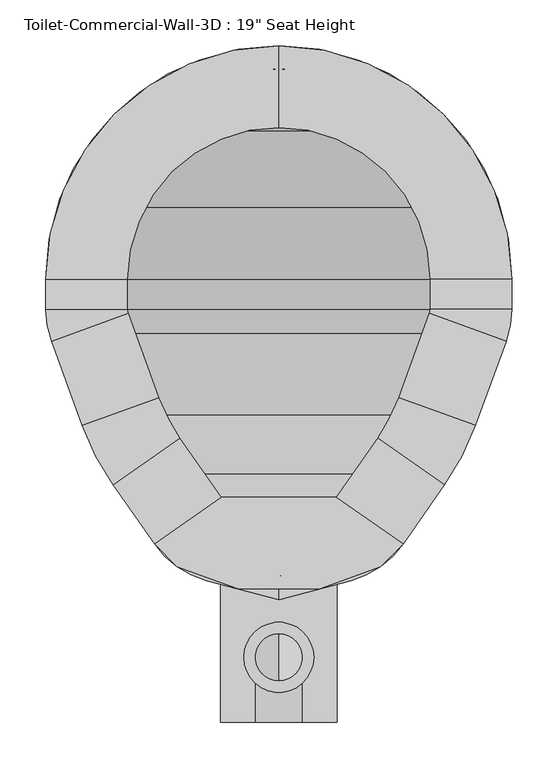
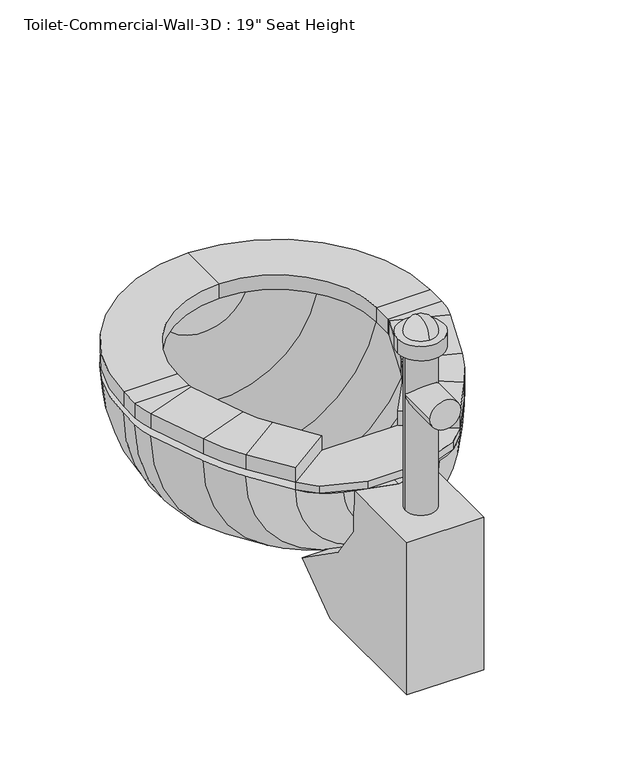
"""IFC4 building model written with IfcOpenShell, lengths in millimetres: flow terminal geometry."""

from ifc_helpers import new_model, si_unit, point, frame, frame_2d, origin, place, context, project, spatial, polyline, circle_curve, ellipse_curve, trimmed, segment, composite_curve, outline, extrude, source, transform, mapped, element, save
from ifc_brep_helpers import plane_surface, cylinder_surface, revolved_surface, advanced_brep


def flow_terminal_3d9ebe32(model_context):
    return source(origin(), model_context, "Body", "SolidModel", [
        extrude(outline(polyline([(467.7541169, 346.6347495), (540.5767337, 295.6438043), (515.6262519, 270.6933226), (449.563909, 246.6485961), (360.2423986, 246.6485961), (294.1800557, 270.6933226), (269.229574, 295.6438043), (342.0521907, 346.6347495), (467.7541169, 346.6347495)])), frame((0.0, 0.0, 444.5), z_axis=(0.0, 0.0, 1.0), x_axis=(1.0, 0.0, 0.0)), (0.0, 0.0, 1.0), 12.7),
        advanced_brep(
        [(467.7541169, 346.6347495, 457.2), (540.5767337, 295.6438043, 457.2), (540.5767337, 295.6438043, 482.6), (467.7541169, 346.6347495, 482.6), (512.8583992, 411.0503403, 457.2), (585.6810159, 360.0593951, 457.2), (585.6810159, 360.0593951, 482.6), (512.8583992, 411.0503403, 482.6), (619.360053, 424.7562234, 457.2), (535.821379, 455.1618141, 457.2), (619.360053, 424.7562234, 482.6), (535.821379, 455.1618141, 482.6), (569.2372501, 546.9711654, 457.2), (652.7759241, 516.5655747, 457.2), (652.7759241, 516.5655747, 482.6), (569.2372501, 546.9711654, 482.6), (658.9031538, 551.3148212, 457.2), (570.0031538, 551.3148212, 457.2), (658.9031538, 551.3148212, 482.6), (570.0031538, 551.3148212, 482.6), (570.0031538, 584.2, 457.2), (658.9031538, 584.2, 457.2), (658.9031538, 584.2, 482.6), (570.0031538, 584.2, 482.6), (404.9031538, 838.2, 457.2), (404.9031538, 749.3, 457.2), (404.9031538, 838.2, 482.6), (404.9031538, 749.3, 482.6), (150.9031538, 584.2, 457.2), (239.8031538, 584.2, 457.2), (150.9031538, 584.2, 482.6), (239.8031538, 584.2, 482.6), (239.8031538, 551.3148212, 457.2), (150.9031538, 551.3148212, 457.2), (150.9031538, 551.3148212, 482.6), (239.8031538, 551.3148212, 482.6), (157.0303835, 516.5655747, 457.2), (240.5690575, 546.9711654, 457.2), (157.0303835, 516.5655747, 482.6), (240.5690575, 546.9711654, 482.6), (273.9849286, 455.1618141, 457.2), (190.4462546, 424.7562234, 457.2), (190.4462546, 424.7562234, 482.6), (273.9849286, 455.1618141, 482.6), (224.1252917, 360.0593951, 457.2), (296.9479084, 411.0503403, 457.2), (224.1252917, 360.0593951, 482.6), (296.9479084, 411.0503403, 482.6), (342.0521907, 346.6347495, 457.2), (342.0521907, 346.6347495, 482.6), (269.229574, 295.6438043, 482.6), (269.229574, 295.6438043, 457.2)],
        [
            (0, 1),
            (1, 2),
            (2, 3),
            (3, 0),
            (0, 4),
            (4, 5),
            (5, 1),
            (5, 6),
            (6, 2),
            (6, 7),
            (7, 3),
            (7, 4),
            (8, 5, circle_curve(frame((356.8099347, 520.3166514, 457.2), z_axis=(0.0, 0.0, -1.0), x_axis=(0.81915204428899, -0.5735764363510486, 0.0)), 279.4)),
            (4, 9, circle_curve(frame((356.8099347, 520.3166514, 457.2), z_axis=(0.0, 0.0, 1.0), x_axis=(0.81915204428899, -0.5735764363510486, 0.0)), 190.5)),
            (9, 8),
            (10, 6, circle_curve(frame((356.8099347, 520.3166514, 482.6), z_axis=(0.0, 0.0, -1.0), x_axis=(0.81915204428899, -0.5735764363510486, 0.0)), 279.4)),
            (8, 10),
            (11, 7, circle_curve(frame((356.8099347, 520.3166514, 482.6), z_axis=(0.0, 0.0, -1.0), x_axis=(0.81915204428899, -0.5735764363510486, 0.0)), 190.5)),
            (10, 11),
            (11, 9),
            (9, 12),
            (12, 13),
            (13, 8),
            (13, 14),
            (14, 10),
            (14, 15),
            (15, 11),
            (15, 12),
            (16, 13, circle_curve(frame((557.3031538, 551.3148212, 457.2), z_axis=(0.0, 0.0, -1.0), x_axis=(0.939692620785906, -0.34202014332567526, 0.0)), 101.6)),
            (12, 17, circle_curve(frame((557.3031538, 551.3148212, 457.2), z_axis=(0.0, 0.0, 1.0), x_axis=(0.939692620785906, -0.34202014332567526, 0.0)), 12.7)),
            (17, 16),
            (18, 14, circle_curve(frame((557.3031538, 551.3148212, 482.6), z_axis=(0.0, 0.0, -1.0), x_axis=(0.939692620785906, -0.34202014332567526, 0.0)), 101.6)),
            (16, 18),
            (19, 15, circle_curve(frame((557.3031538, 551.3148212, 482.6), z_axis=(0.0, 0.0, -1.0), x_axis=(0.939692620785906, -0.34202014332567526, 0.0)), 12.7)),
            (18, 19),
            (19, 17),
            (17, 20),
            (20, 21),
            (21, 16),
            (21, 22),
            (22, 18),
            (22, 23),
            (23, 19),
            (23, 20),
            (24, 21, circle_curve(frame((404.9031538, 584.2, 457.2), z_axis=(0.0, 0.0, -1.0), x_axis=(1.0, 0.0, 0.0)), 254.0)),
            (20, 25, circle_curve(frame((404.9031538, 584.2, 457.2), z_axis=(0.0, 0.0, 1.0), x_axis=(1.0, 0.0, 0.0)), 165.1)),
            (25, 24),
            (26, 22, circle_curve(frame((404.9031538, 584.2, 482.6), z_axis=(0.0, 0.0, -1.0), x_axis=(1.0, 0.0, 0.0)), 254.0)),
            (24, 26),
            (27, 23, circle_curve(frame((404.9031538, 584.2, 482.6), z_axis=(0.0, 0.0, -1.0), x_axis=(1.0, 0.0, 0.0)), 165.1)),
            (26, 27),
            (27, 25),
            (28, 24, circle_curve(frame((404.9031538, 584.2, 457.2), z_axis=(0.0, 0.0, -1.0), x_axis=(0.0, 1.0, 0.0)), 254.0)),
            (25, 29, circle_curve(frame((404.9031538, 584.2, 457.2), z_axis=(0.0, 0.0, 1.0), x_axis=(0.0, 1.0, 0.0)), 165.1)),
            (29, 28),
            (30, 26, circle_curve(frame((404.9031538, 584.2, 482.6), z_axis=(0.0, 0.0, -1.0), x_axis=(0.0, 1.0, 0.0)), 254.0)),
            (28, 30),
            (31, 27, circle_curve(frame((404.9031538, 584.2, 482.6), z_axis=(0.0, 0.0, -1.0), x_axis=(0.0, 1.0, 0.0)), 165.1)),
            (30, 31),
            (31, 29),
            (29, 32),
            (32, 33),
            (33, 28),
            (33, 34),
            (34, 30),
            (34, 35),
            (35, 31),
            (35, 32),
            (36, 33, circle_curve(frame((252.5031538, 551.3148212, 457.2), z_axis=(0.0, 0.0, -1.0), x_axis=(-1.0, 0.0, 0.0)), 101.6)),
            (32, 37, circle_curve(frame((252.5031538, 551.3148212, 457.2), z_axis=(0.0, 0.0, 1.0), x_axis=(-1.0, 0.0, 0.0)), 12.7)),
            (37, 36),
            (38, 34, circle_curve(frame((252.5031538, 551.3148212, 482.6), z_axis=(0.0, 0.0, -1.0), x_axis=(-1.0, 0.0, 0.0)), 101.6)),
            (36, 38),
            (39, 35, circle_curve(frame((252.5031538, 551.3148212, 482.6), z_axis=(0.0, 0.0, -1.0), x_axis=(-1.0, 0.0, 0.0)), 12.7)),
            (38, 39),
            (39, 37),
            (37, 40),
            (40, 41),
            (41, 36),
            (41, 42),
            (42, 38),
            (42, 43),
            (43, 39),
            (43, 40),
            (44, 41, circle_curve(frame((452.9963729, 520.3166514, 457.2), z_axis=(0.0, 0.0, -1.0), x_axis=(-0.9396926207859088, -0.34202014332566766, 0.0)), 279.4)),
            (40, 45, circle_curve(frame((452.9963729, 520.3166514, 457.2), z_axis=(0.0, 0.0, 1.0), x_axis=(-0.9396926207859088, -0.34202014332566766, 0.0)), 190.5)),
            (45, 44),
            (46, 42, circle_curve(frame((452.9963729, 520.3166514, 482.6), z_axis=(0.0, 0.0, -1.0), x_axis=(-0.9396926207859088, -0.34202014332566766, 0.0)), 279.4)),
            (44, 46),
            (47, 43, circle_curve(frame((452.9963729, 520.3166514, 482.6), z_axis=(0.0, 0.0, -1.0), x_axis=(-0.9396926207859088, -0.34202014332566766, 0.0)), 190.5)),
            (46, 47),
            (47, 45),
            (48, 49),
            (49, 50),
            (50, 51),
            (51, 48),
            (45, 48),
            (51, 44),
            (50, 46),
            (49, 47),
        ],
        [
            plane_surface(frame((540.5767337, 295.6438043, 541.2203184), z_axis=(-0.5735764363510383, -0.8191520442889972, 0.0), x_axis=(0.8191520442889972, -0.5735764363510383, 0.0))),
            plane_surface(frame((467.7541169, 346.6347495, 457.2), z_axis=(0.0, 0.0, -1.0000000000000002), x_axis=(0.5735764363510385, 0.8191520442889972, 0.0))),
            plane_surface(frame((540.5767337, 295.6438043, 457.2), z_axis=(0.8191520442889972, -0.5735764363510385, 0.0), x_axis=(0.5735764363510385, 0.8191520442889972, 0.0))),
            plane_surface(frame((540.5767337, 295.6438043, 482.6), z_axis=(0.0, 0.0, 1.0), x_axis=(0.5735764363510377, 0.8191520442889978, 0.0))),
            plane_surface(frame((467.7541169, 346.6347495, 482.6), z_axis=(-0.8191520442889979, 0.5735764363510375, 0.0), x_axis=(0.5735764363510375, 0.8191520442889979, 0.0))),
            plane_surface(frame((356.8099347, 520.3166514, 457.2), z_axis=(0.0, 0.0, -1.0), x_axis=(0.81915204428899, -0.5735764363510486, 0.0))),
            cylinder_surface(frame((356.8099347, 520.3166514, 444.5), z_axis=(0.0, 0.0, 1.0), x_axis=(0.81915204428899, -0.5735764363510486, 0.0)), 279.4),
            plane_surface(frame((356.8099347, 520.3166514, 482.6), z_axis=(0.0, 0.0, 1.0), x_axis=(0.81915204428899, -0.5735764363510486, 0.0))),
            revolved_surface(polyline([(512.8583991370526, 411.0503402751252, 482.6), (512.8583991370526, 411.0503402751252, 457.2)]), (356.8099347, 520.3166514, 444.5), (0.0, 0.0, 1.0)),
            plane_surface(frame((535.821379, 455.1618141, 457.2), z_axis=(0.0, 0.0, -1.0), x_axis=(0.3420201433256639, 0.9396926207859102, 0.0))),
            plane_surface(frame((619.360053, 424.7562234, 457.2), z_axis=(0.9396926207859106, -0.3420201433256625, 0.0), x_axis=(0.3420201433256625, 0.9396926207859106, 0.0))),
            plane_surface(frame((619.360053, 424.7562234, 482.6), z_axis=(0.0, 0.0, 1.0), x_axis=(0.3420201433256625, 0.9396926207859106, 0.0))),
            plane_surface(frame((535.821379, 455.1618141, 482.6), z_axis=(-0.9396926207859106, 0.3420201433256626, 0.0), x_axis=(0.3420201433256626, 0.9396926207859106, 0.0))),
            plane_surface(frame((557.3031538, 551.3148212, 457.2), z_axis=(0.0, 0.0, -1.0), x_axis=(0.939692620785906, -0.34202014332567526, 0.0))),
            cylinder_surface(frame((557.3031538, 551.3148212, 444.5), z_axis=(0.0, 0.0, 1.0), x_axis=(0.939692620785906, -0.34202014332567526, 0.0)), 101.6),
            plane_surface(frame((557.3031538, 551.3148212, 482.6), z_axis=(0.0, 0.0, 1.0), x_axis=(0.939692620785906, -0.34202014332567526, 0.0))),
            revolved_surface(polyline([(569.237250083981, 546.9711653797639, 482.6), (569.237250083981, 546.9711653797639, 457.2)]), (557.3031538, 551.3148212, 444.5), (0.0, 0.0, 1.0)),
            plane_surface(frame((570.0031538, 551.3148212, 457.2), z_axis=(0.0, 0.0, -1.0), x_axis=(0.0, 1.0, 0.0))),
            plane_surface(frame((658.9031538, 551.3148212, 457.2), z_axis=(1.0, 0.0, 0.0), x_axis=(0.0, 1.0, 0.0))),
            plane_surface(frame((658.9031538, 551.3148212, 482.6), z_axis=(0.0, 0.0, 1.0), x_axis=(0.0, 1.0, 0.0))),
            plane_surface(frame((570.0031538, 551.3148212, 482.6), z_axis=(-1.0, 0.0, 0.0), x_axis=(0.0, 1.0, 0.0))),
            plane_surface(frame((404.9031538, 584.2, 457.2), z_axis=(0.0, 0.0, -1.0), x_axis=(1.0, 0.0, 0.0))),
            cylinder_surface(frame((404.9031538, 584.2, 444.5), z_axis=(0.0, 0.0, 1.0), x_axis=(1.0, 0.0, 0.0)), 254.0),
            plane_surface(frame((404.9031538, 584.2, 482.6), z_axis=(0.0, 0.0, 1.0), x_axis=(1.0, 0.0, 0.0))),
            revolved_surface(polyline([(570.0031538, 584.2, 482.6), (570.0031538, 584.2, 457.2)]), (404.9031538, 584.2, 444.5), (0.0, 0.0, 1.0)),
            plane_surface(frame((404.9031538, 584.2, 457.2), z_axis=(0.0, 0.0, -1.0), x_axis=(0.0, 1.0, 0.0))),
            cylinder_surface(frame((404.9031538, 584.2, 444.5), z_axis=(0.0, 0.0, 1.0), x_axis=(0.0, 1.0, 0.0)), 254.0),
            plane_surface(frame((404.9031538, 584.2, 482.6), z_axis=(0.0, 0.0, 1.0), x_axis=(0.0, 1.0, 0.0))),
            revolved_surface(polyline([(404.9031538, 749.3000000000001, 482.6), (404.9031538, 749.3000000000001, 457.2)]), (404.9031538, 584.2, 444.5), (0.0, 0.0, 1.0)),
            plane_surface(frame((239.8031538, 584.2, 457.2), z_axis=(0.0, 0.0, -1.0), x_axis=(0.0, -1.0, 0.0))),
            plane_surface(frame((150.9031538, 584.2, 457.2), z_axis=(-1.0, 0.0, 0.0), x_axis=(0.0, -1.0, 0.0))),
            plane_surface(frame((150.9031538, 584.2, 482.6), z_axis=(0.0, 0.0, 1.0), x_axis=(0.0, -1.0, 0.0))),
            plane_surface(frame((239.8031538, 584.2, 482.6), z_axis=(1.0, 0.0, 0.0), x_axis=(0.0, -1.0, 0.0))),
            plane_surface(frame((252.5031538, 551.3148212, 457.2), z_axis=(0.0, 0.0, -1.0), x_axis=(-1.0, 0.0, 0.0))),
            cylinder_surface(frame((252.5031538, 551.3148212, 444.5), z_axis=(0.0, 0.0, 1.0), x_axis=(-1.0, 0.0, 0.0)), 101.6),
            plane_surface(frame((252.5031538, 551.3148212, 482.6), z_axis=(0.0, 0.0, 1.0), x_axis=(-1.0, 0.0, 0.0))),
            revolved_surface(polyline([(239.80315380000002, 551.3148212, 482.6), (239.80315380000002, 551.3148212, 457.2)]), (252.5031538, 551.3148212, 444.5), (0.0, 0.0, 1.0)),
            plane_surface(frame((240.5690575, 546.9711654, 457.2), z_axis=(0.0, 0.0, -1.0000000000000002), x_axis=(0.34202014332565656, -0.9396926207859129, 0.0))),
            plane_surface(frame((157.0303835, 516.5655747, 457.2), z_axis=(-0.9396926207859131, -0.3420201433256559, 0.0), x_axis=(0.3420201433256559, -0.9396926207859131, 0.0))),
            plane_surface(frame((157.0303835, 516.5655747, 482.6), z_axis=(0.0, 0.0, 1.0), x_axis=(0.34202014332565644, -0.9396926207859129, 0.0))),
            plane_surface(frame((240.5690575, 546.9711654, 482.6), z_axis=(0.9396926207859131, 0.342020143325656, 0.0), x_axis=(0.342020143325656, -0.9396926207859131, 0.0))),
            plane_surface(frame((452.9963729, 520.3166514, 457.2), z_axis=(0.0, 0.0, -1.0), x_axis=(-0.9396926207859088, -0.34202014332566766, 0.0))),
            cylinder_surface(frame((452.9963729, 520.3166514, 444.5), z_axis=(0.0, 0.0, 1.0), x_axis=(-0.9396926207859088, -0.34202014332566766, 0.0)), 279.4),
            plane_surface(frame((452.9963729, 520.3166514, 482.6), z_axis=(0.0, 0.0, 1.0), x_axis=(-0.9396926207859088, -0.34202014332566766, 0.0))),
            revolved_surface(polyline([(273.98492864028435, 455.16181409646026, 482.6), (273.98492864028435, 455.16181409646026, 457.2)]), (452.9963729, 520.3166514, 444.5), (0.0, 0.0, 1.0)),
            plane_surface(frame((269.229574, 295.6438043, 347.7796816), z_axis=(0.5735764363510499, -0.8191520442889891, 0.0), x_axis=(0.8191520442889891, 0.5735764363510499, 0.0))),
            plane_surface(frame((296.9479084, 411.0503403, 457.2), z_axis=(0.0, 0.0, -1.0000000000000002), x_axis=(0.5735764363510504, -0.8191520442889889, 0.0))),
            plane_surface(frame((224.1252917, 360.0593951, 457.2), z_axis=(-0.8191520442889888, -0.5735764363510505, 0.0), x_axis=(0.5735764363510505, -0.8191520442889888, 0.0))),
            plane_surface(frame((224.1252917, 360.0593951, 482.6), z_axis=(0.0, 0.0, 1.0000000000000002), x_axis=(0.5735764363510504, -0.8191520442889889, 0.0))),
            plane_surface(frame((296.9479084, 411.0503403, 482.6), z_axis=(0.8191520442889891, 0.57357643635105, 0.0), x_axis=(0.57357643635105, -0.8191520442889891, 0.0))),
        ],
        [
            (0, [[1, 2, 3, 4]]),
            (1, [[-1, 5, 6, 7]]),
            (2, [[-2, -7, 8, 9]]),
            (3, [[-3, -9, 10, 11]]),
            (4, [[-4, -11, 12, -5]]),
            (5, [[13, -6, 14, 15]]),
            (6, [[16, -8, -13, 17]]),
            (7, [[18, -10, -16, 19]]),
            (8, [[-14, -12, -18, 20]]),
            (9, [[-15, 21, 22, 23]]),
            (10, [[-17, -23, 24, 25]]),
            (11, [[-19, -25, 26, 27]]),
            (12, [[-20, -27, 28, -21]]),
            (13, [[29, -22, 30, 31]]),
            (14, [[32, -24, -29, 33]]),
            (15, [[34, -26, -32, 35]]),
            (16, [[-30, -28, -34, 36]]),
            (17, [[-31, 37, 38, 39]]),
            (18, [[-33, -39, 40, 41]]),
            (19, [[-35, -41, 42, 43]]),
            (20, [[-36, -43, 44, -37]]),
            (21, [[45, -38, 46, 47]]),
            (22, [[48, -40, -45, 49]]),
            (23, [[50, -42, -48, 51]]),
            (24, [[-46, -44, -50, 52]]),
            (25, [[53, -47, 54, 55]]),
            (26, [[56, -49, -53, 57]]),
            (27, [[58, -51, -56, 59]]),
            (28, [[-54, -52, -58, 60]]),
            (29, [[-55, 61, 62, 63]]),
            (30, [[-57, -63, 64, 65]]),
            (31, [[-59, -65, 66, 67]]),
            (32, [[-60, -67, 68, -61]]),
            (33, [[69, -62, 70, 71]]),
            (34, [[72, -64, -69, 73]]),
            (35, [[74, -66, -72, 75]]),
            (36, [[-70, -68, -74, 76]]),
            (37, [[-71, 77, 78, 79]]),
            (38, [[-73, -79, 80, 81]]),
            (39, [[-75, -81, 82, 83]]),
            (40, [[-76, -83, 84, -77]]),
            (41, [[85, -78, 86, 87]]),
            (42, [[88, -80, -85, 89]]),
            (43, [[90, -82, -88, 91]]),
            (44, [[-86, -84, -90, 92]]),
            (45, [[93, 94, 95, 96]]),
            (46, [[-87, 97, -96, 98]]),
            (47, [[-89, -98, -95, 99]]),
            (48, [[-91, -99, -94, 100]]),
            (49, [[-92, -100, -93, -97]]),
        ],
    ),
        advanced_brep(
        [(491.7762702, 822.8819257, 444.5), (404.9031538, 838.2, 444.5), (404.9031538, 812.8, 444.5), (483.0889586, 799.0137331, 444.5), (566.547764, 745.8446102, 444.5), (619.7168869, 662.3858048, 444.5), (633.5031538, 584.2, 444.5), (633.5031538, 551.3148212, 444.5), (628.9077315, 525.2528863, 444.5), (596.6355667, 436.5858422, 444.5), (562.9565296, 371.8890139, 444.5), (525.0728964, 317.7855786, 444.5), (468.1430637, 277.9228806, 444.5), (404.9031538, 260.9777978, 444.5), (404.9031538, 234.6817829, 444.5), (483.6469009, 255.7811063, 444.5), (540.5767337, 295.6438043, 444.5), (585.6810159, 360.0593951, 444.5), (619.360053, 424.7562234, 444.5), (652.7759241, 516.5655747, 444.5), (658.9031538, 551.3148212, 444.5), (658.9031538, 584.2, 444.5), (643.5850795, 671.0731164, 444.5), (584.5082762, 763.8051224, 444.5), (318.0300374, 822.8819257, 444.5), (225.2980314, 763.8051224, 444.5), (166.2212281, 671.0731164, 444.5), (150.9031538, 584.2, 444.5), (150.9031538, 551.3148212, 444.5), (157.0303835, 516.5655747, 444.5), (190.4462546, 424.7562234, 444.5), (224.1252917, 360.0593951, 444.5), (269.229574, 295.6438043, 444.5), (326.1594067, 255.7811063, 444.5), (341.663244, 277.9228806, 444.5), (284.7334112, 317.7855786, 444.5), (246.849778, 371.8890139, 444.5), (213.1707409, 436.5858422, 444.5), (180.8985761, 525.2528863, 444.5), (176.3031538, 551.3148212, 444.5), (176.3031538, 584.2, 444.5), (190.0894207, 662.3858048, 444.5), (243.2585436, 745.8446102, 444.5), (326.7173491, 799.0137331, 444.5)],
        [
            (0, 1, circle_curve(frame((404.9031538, 584.2, 444.5), z_axis=(0.0, 0.0, 1.0), x_axis=(1.0, 0.0, 0.0)), 254.0)),
            (1, 2),
            (2, 3, circle_curve(frame((404.9031538, 584.2, 444.5), z_axis=(0.0, 0.0, -1.0), x_axis=(1.0, 0.0, 0.0)), 228.6)),
            (3, 4, circle_curve(frame((404.9031538, 584.2, 444.5), z_axis=(0.0, 0.0, -1.0), x_axis=(1.0, 0.0, 0.0)), 228.6)),
            (4, 5, circle_curve(frame((404.9031538, 584.2, 444.5), z_axis=(0.0, 0.0, -1.0), x_axis=(1.0, 0.0, 0.0)), 228.6)),
            (5, 6, circle_curve(frame((404.9031538, 584.2, 444.5), z_axis=(0.0, 0.0, -1.0), x_axis=(1.0, 0.0, 0.0)), 228.6)),
            (6, 7),
            (7, 8, circle_curve(frame((557.3031538, 551.3148212, 444.5), z_axis=(0.0, 0.0, -1.0), x_axis=(1.0, 0.0, 0.0)), 76.2)),
            (8, 9),
            (9, 10, circle_curve(frame((334.0854485, 532.1462703, 444.5), z_axis=(0.0, 0.0, -1.0), x_axis=(1.0, 0.0, 0.0)), 279.4)),
            (10, 11),
            (11, 12, circle_curve(frame((441.8470487, 376.0609446, 444.5), z_axis=(0.0, 0.0, -1.0), x_axis=(1.0, 0.0, 0.0)), 101.6)),
            (12, 13),
            (13, 14),
            (14, 15),
            (15, 16, circle_curve(frame((457.350886, 353.9191703, 444.5), z_axis=(0.0, 0.0, 1.0), x_axis=(1.0, 0.0, 0.0)), 101.6)),
            (16, 17),
            (17, 18, circle_curve(frame((356.8099347, 520.3166514, 444.5), z_axis=(0.0, 0.0, 1.0), x_axis=(1.0, 0.0, 0.0)), 279.4)),
            (18, 19),
            (19, 20, circle_curve(frame((557.3031538, 551.3148212, 444.5), z_axis=(0.0, 0.0, 1.0), x_axis=(1.0, 0.0, 0.0)), 101.6)),
            (20, 21),
            (21, 22, circle_curve(frame((404.9031538, 584.2, 444.5), z_axis=(0.0, 0.0, 1.0), x_axis=(1.0, 0.0, 0.0)), 254.0)),
            (22, 23, circle_curve(frame((404.9031538, 584.2, 444.5), z_axis=(0.0, 0.0, 1.0), x_axis=(1.0, 0.0, 0.0)), 254.0)),
            (23, 0, circle_curve(frame((404.9031538, 584.2, 444.5), z_axis=(0.0, 0.0, 1.0), x_axis=(1.0, 0.0, 0.0)), 254.0)),
            (24, 25, circle_curve(frame((404.9031538, 584.2, 444.5), z_axis=(0.0, 0.0, 1.0), x_axis=(-1.0, 0.0, 0.0)), 254.0)),
            (25, 26, circle_curve(frame((404.9031538, 584.2, 444.5), z_axis=(0.0, 0.0, 1.0), x_axis=(-1.0, 0.0, 0.0)), 254.0)),
            (26, 27, circle_curve(frame((404.9031538, 584.2, 444.5), z_axis=(0.0, 0.0, 1.0), x_axis=(-1.0, 0.0, 0.0)), 254.0)),
            (27, 28),
            (28, 29, circle_curve(frame((252.5031538, 551.3148212, 444.5), z_axis=(0.0, 0.0, 1.0), x_axis=(-1.0, 0.0, 0.0)), 101.6)),
            (29, 30),
            (30, 31, circle_curve(frame((452.9963729, 520.3166514, 444.5), z_axis=(0.0, 0.0, 1.0), x_axis=(-1.0, 0.0, 0.0)), 279.4)),
            (31, 32),
            (32, 33, circle_curve(frame((352.4554217, 353.9191703, 444.5), z_axis=(0.0, 0.0, 1.0), x_axis=(-1.0, 0.0, 0.0)), 101.6)),
            (33, 14),
            (13, 34),
            (34, 35, circle_curve(frame((367.9592589, 376.0609446, 444.5), z_axis=(0.0, 0.0, -1.0), x_axis=(-1.0, 0.0, 0.0)), 101.6)),
            (35, 36),
            (36, 37, circle_curve(frame((475.7208592, 532.1462703, 444.5), z_axis=(0.0, 0.0, -1.0), x_axis=(-1.0, 0.0, 0.0)), 279.4)),
            (37, 38),
            (38, 39, circle_curve(frame((252.5031538, 551.3148212, 444.5), z_axis=(0.0, 0.0, -1.0), x_axis=(-1.0, 0.0, 0.0)), 76.2)),
            (39, 40),
            (40, 41, circle_curve(frame((404.9031538, 584.2, 444.5), z_axis=(0.0, 0.0, -1.0), x_axis=(-1.0, 0.0, 0.0)), 228.6)),
            (41, 42, circle_curve(frame((404.9031538, 584.2, 444.5), z_axis=(0.0, 0.0, -1.0), x_axis=(-1.0, 0.0, 0.0)), 228.6)),
            (42, 43, circle_curve(frame((404.9031538, 584.2, 444.5), z_axis=(0.0, 0.0, -1.0), x_axis=(-1.0, 0.0, 0.0)), 228.6)),
            (43, 2, circle_curve(frame((404.9031538, 584.2, 444.5), z_axis=(0.0, 0.0, -1.0), x_axis=(-1.0, 0.0, 0.0)), 228.6)),
            (1, 24, circle_curve(frame((404.9031538, 584.2, 444.5), z_axis=(0.0, 0.0, 1.0), x_axis=(-1.0, 0.0, 0.0)), 254.0)),
            (0, 24, circle_curve(frame((404.9031538, 822.8819257, 444.5), z_axis=(0.0, 1.0, 0.0), x_axis=(1.0, 0.0, 0.0)), 86.8731164)),
            (43, 3, circle_curve(frame((404.9031538, 799.0137331, 444.5), z_axis=(0.0, -1.0, 0.0), x_axis=(1.0, 0.0, 0.0)), 78.1858048)),
            (42, 4, circle_curve(frame((404.9031538, 745.8446102, 444.5), z_axis=(0.0, -1.0, 0.0), x_axis=(1.0, 0.0, 0.0)), 161.6446102)),
            (41, 5, circle_curve(frame((404.9031538, 662.3858048, 444.5), z_axis=(0.0, -1.0, 0.0), x_axis=(1.0, 0.0, 0.0)), 214.8137331)),
            (40, 6, circle_curve(frame((404.9031538, 584.2, 444.5), z_axis=(0.0, -1.0, 0.0), x_axis=(1.0, 0.0, 0.0)), 228.6)),
            (39, 7, circle_curve(frame((404.9031538, 551.3148212, 444.5), z_axis=(0.0, -1.0, 0.0), x_axis=(1.0, 0.0, 0.0)), 228.6)),
            (38, 8, circle_curve(frame((404.9031538, 525.2528863, 444.5), z_axis=(0.0, -1.0, 0.0), x_axis=(1.0, 0.0, 0.0)), 224.0045777)),
            (37, 9, circle_curve(frame((404.9031538, 436.5858422, 444.5), z_axis=(0.0, -1.0, 0.0), x_axis=(1.0, 0.0, 0.0)), 191.7324129)),
            (36, 10, circle_curve(frame((404.9031538, 371.8890139, 444.5), z_axis=(0.0, -1.0, 0.0), x_axis=(1.0, 0.0, 0.0)), 158.0533758)),
            (35, 11, circle_curve(frame((404.9031538, 317.7855786, 444.5), z_axis=(0.0, -1.0, 0.0), x_axis=(1.0, 0.0, 0.0)), 120.1697426)),
            (34, 12, circle_curve(frame((404.9031538, 277.9228806, 444.5), z_axis=(0.0, -1.0, 0.0), x_axis=(1.0, 0.0, 0.0)), 63.2399099)),
            (33, 15, circle_curve(frame((404.9031538, 255.7811063, 444.5), z_axis=(0.0, -1.0, 0.0), x_axis=(1.0, 0.0, 0.0)), 78.7437471)),
            (32, 16, circle_curve(frame((404.9031538, 295.6438043, 444.5), z_axis=(0.0, -1.0, 0.0), x_axis=(1.0, 0.0, 0.0)), 135.6735798)),
            (31, 17, circle_curve(frame((404.9031538, 360.0593951, 444.5), z_axis=(0.0, -1.0, 0.0), x_axis=(1.0, 0.0, 0.0)), 180.7778621)),
            (30, 18, circle_curve(frame((404.9031538, 424.7562234, 444.5), z_axis=(0.0, -1.0, 0.0), x_axis=(1.0, 0.0, 0.0)), 214.4568992)),
            (29, 19, circle_curve(frame((404.9031538, 516.5655747, 444.5), z_axis=(0.0, -1.0, 0.0), x_axis=(1.0, 0.0, 0.0)), 247.8727703)),
            (28, 20, circle_curve(frame((404.9031538, 551.3148212, 444.5), z_axis=(0.0, -1.0, 0.0), x_axis=(1.0, 0.0, 0.0)), 254.0)),
            (27, 21, circle_curve(frame((404.9031538, 584.2, 444.5), z_axis=(0.0, -1.0, 0.0), x_axis=(1.0, 0.0, 0.0)), 254.0)),
            (26, 22, circle_curve(frame((404.9031538, 671.0731164, 444.5), z_axis=(0.0, -1.0, 0.0), x_axis=(1.0, 0.0, 0.0)), 238.6819257)),
            (25, 23, circle_curve(frame((404.9031538, 763.8051224, 444.5), z_axis=(0.0, -1.0, 0.0), x_axis=(1.0, 0.0, 0.0)), 179.6051224)),
        ],
        [
            plane_surface(frame((404.9031538, 943.4102448, 444.5), z_axis=(0.0, 0.0, 1.0), x_axis=(1.0, 0.0, 0.0))),
            plane_surface(frame((404.9031538, 943.4102448, 444.5), z_axis=(0.0, 0.0, 1.0), x_axis=(-1.0, 0.0, 0.0))),
            revolved_surface(trimmed(ellipse_curve(frame((404.9031538, 584.2, 444.5), z_axis=(0.0, 0.0, 1.0), x_axis=(1.0, 0.0, 0.0)), 254.0, 254.0), [point((491.7762702, 822.8819257, 444.5))], [point((404.9031538, 838.2, 444.5))], True, "CARTESIAN"), (404.9031538, 943.4102448, 444.5), (0.0, 1.0, 0.0)),
            revolved_surface(trimmed(ellipse_curve(frame((404.9031538, 584.2, 444.5), z_axis=(0.0, 0.0, -1.0), x_axis=(1.0, 0.0, 0.0)), 228.6, 228.6), [point((404.9031538, 812.8, 444.5))], [point((483.0889586, 799.0137331, 444.5))], True, "CARTESIAN"), (404.9031538, 943.4102448, 444.5), (0.0, 1.0, 0.0)),
            revolved_surface(trimmed(ellipse_curve(frame((404.9031538, 584.2, 444.5), z_axis=(0.0, 0.0, -1.0), x_axis=(1.0, 0.0, 0.0)), 228.6, 228.6), [point((483.0889586, 799.0137331, 444.5))], [point((566.547764, 745.8446102, 444.5))], True, "CARTESIAN"), (404.9031538, 943.4102448, 444.5), (0.0, 1.0, 0.0)),
            revolved_surface(trimmed(ellipse_curve(frame((404.9031538, 584.2, 444.5), z_axis=(0.0, 0.0, -1.0), x_axis=(1.0, 0.0, 0.0)), 228.6, 228.6), [point((566.547764, 745.8446102, 444.5))], [point((619.7168869, 662.3858048, 444.5))], True, "CARTESIAN"), (404.9031538, 943.4102448, 444.5), (0.0, 1.0, 0.0)),
            revolved_surface(trimmed(ellipse_curve(frame((404.9031538, 584.2, 444.5), z_axis=(0.0, 0.0, -1.0), x_axis=(1.0, 0.0, 0.0)), 228.6, 228.6), [point((619.7168869, 662.3858048, 444.5))], [point((633.5031538, 584.2, 444.5))], True, "CARTESIAN"), (404.9031538, 943.4102448, 444.5), (0.0, 1.0, 0.0)),
            revolved_surface(polyline([(633.5031538, 584.2, 444.5), (633.5031538, 551.3148212, 444.5)]), (404.9031538, 943.4102448, 444.5), (0.0, 1.0, 0.0)),
            revolved_surface(trimmed(ellipse_curve(frame((557.3031538, 551.3148212, 444.5), z_axis=(0.0, 0.0, -1.0), x_axis=(1.0, 0.0, 0.0)), 76.2, 76.2), [point((633.5031538, 551.3148212, 444.5))], [point((628.9077315, 525.2528863, 444.5))], True, "CARTESIAN"), (404.9031538, 943.4102448, 444.5), (0.0, 1.0, 0.0)),
            revolved_surface(polyline([(628.9077315, 525.2528863, 444.5), (596.6355667, 436.5858422, 444.5)]), (404.9031538, 943.4102448, 444.5), (0.0, 1.0, 0.0)),
            revolved_surface(trimmed(ellipse_curve(frame((334.0854485, 532.1462703, 444.5), z_axis=(0.0, 0.0, -1.0), x_axis=(1.0, 0.0, 0.0)), 279.4, 279.4), [point((596.6355667, 436.5858422, 444.5))], [point((562.9565296, 371.8890139, 444.5))], True, "CARTESIAN"), (404.9031538, 943.4102448, 444.5), (0.0, 1.0, 0.0)),
            revolved_surface(polyline([(562.9565296, 371.8890139, 444.5), (525.0728964, 317.7855786, 444.5)]), (404.9031538, 943.4102448, 444.5), (0.0, 1.0, 0.0)),
            revolved_surface(trimmed(ellipse_curve(frame((441.8470487, 376.0609446, 444.5), z_axis=(0.0, 0.0, -1.0), x_axis=(1.0, 0.0, 0.0)), 101.6, 101.6), [point((525.0728964, 317.7855786, 444.5))], [point((468.1430637, 277.9228806, 444.5))], True, "CARTESIAN"), (404.9031538, 943.4102448, 444.5), (0.0, 1.0, 0.0)),
            revolved_surface(polyline([(468.1430637, 277.9228806, 444.5), (404.9031538, 260.9777978, 444.5)]), (404.9031538, 943.4102448, 444.5), (0.0, 1.0, 0.0)),
            revolved_surface(polyline([(404.9031538, 234.6817829, 444.5), (483.6469009, 255.7811063, 444.5)]), (404.9031538, 943.4102448, 444.5), (0.0, 1.0, 0.0)),
            revolved_surface(trimmed(ellipse_curve(frame((457.350886, 353.9191703, 444.5), z_axis=(0.0, 0.0, 1.0), x_axis=(1.0, 0.0, 0.0)), 101.6, 101.6), [point((483.6469009, 255.7811063, 444.5))], [point((540.5767337, 295.6438043, 444.5))], True, "CARTESIAN"), (404.9031538, 943.4102448, 444.5), (0.0, 1.0, 0.0)),
            revolved_surface(polyline([(540.5767337, 295.6438043, 444.5), (585.6810159, 360.0593951, 444.5)]), (404.9031538, 943.4102448, 444.5), (0.0, 1.0, 0.0)),
            revolved_surface(trimmed(ellipse_curve(frame((356.8099347, 520.3166514, 444.5), z_axis=(0.0, 0.0, 1.0), x_axis=(1.0, 0.0, 0.0)), 279.4, 279.4), [point((585.6810159, 360.0593951, 444.5))], [point((619.360053, 424.7562234, 444.5))], True, "CARTESIAN"), (404.9031538, 943.4102448, 444.5), (0.0, 1.0, 0.0)),
            revolved_surface(polyline([(619.360053, 424.7562234, 444.5), (652.7759241, 516.5655747, 444.5)]), (404.9031538, 943.4102448, 444.5), (0.0, 1.0, 0.0)),
            revolved_surface(trimmed(ellipse_curve(frame((557.3031538, 551.3148212, 444.5), z_axis=(0.0, 0.0, 1.0), x_axis=(1.0, 0.0, 0.0)), 101.6, 101.6), [point((652.7759241, 516.5655747, 444.5))], [point((658.9031538, 551.3148212, 444.5))], True, "CARTESIAN"), (404.9031538, 943.4102448, 444.5), (0.0, 1.0, 0.0)),
            cylinder_surface(frame((404.9031538, 943.4102448, 444.5), z_axis=(0.0, 1.0, 0.0), x_axis=(1.0, 0.0, 0.0)), 254.0),
            revolved_surface(trimmed(ellipse_curve(frame((404.9031538, 584.2, 444.5), z_axis=(0.0, 0.0, 1.0), x_axis=(1.0, 0.0, 0.0)), 254.0, 254.0), [point((658.9031538, 584.2, 444.5))], [point((643.5850795, 671.0731164, 444.5))], True, "CARTESIAN"), (404.9031538, 943.4102448, 444.5), (0.0, 1.0, 0.0)),
            revolved_surface(trimmed(ellipse_curve(frame((404.9031538, 584.2, 444.5), z_axis=(0.0, 0.0, 1.0), x_axis=(1.0, 0.0, 0.0)), 254.0, 254.0), [point((643.5850795, 671.0731164, 444.5))], [point((584.5082762, 763.8051224, 444.5))], True, "CARTESIAN"), (404.9031538, 943.4102448, 444.5), (0.0, 1.0, 0.0)),
            revolved_surface(trimmed(ellipse_curve(frame((404.9031538, 584.2, 444.5), z_axis=(0.0, 0.0, 1.0), x_axis=(1.0, 0.0, 0.0)), 254.0, 254.0), [point((584.5082762, 763.8051224, 444.5))], [point((491.7762702, 822.8819257, 444.5))], True, "CARTESIAN"), (404.9031538, 943.4102448, 444.5), (0.0, 1.0, 0.0)),
        ],
        [
            (0, [[1, 2, 3, 4, 5, 6, 7, 8, 9, 10, 11, 12, 13, 14, 15, 16, 17, 18, 19, 20, 21, 22, 23, 24]]),
            (1, [[25, 26, 27, 28, 29, 30, 31, 32, 33, 34, -14, 35, 36, 37, 38, 39, 40, 41, 42, 43, 44, 45, -2, 46]]),
            (2, [[-1, 47, -46]]),
            (3, [[48, -3, -45]]),
            (4, [[49, -4, -48, -44]]),
            (5, [[50, -5, -49, -43]]),
            (6, [[51, -6, -50, -42]]),
            (7, [[52, -7, -51, -41]]),
            (8, [[53, -8, -52, -40]]),
            (9, [[54, -9, -53, -39]]),
            (10, [[55, -10, -54, -38]]),
            (11, [[56, -11, -55, -37]]),
            (12, [[57, -12, -56, -36]]),
            (13, [[-13, -57, -35]]),
            (14, [[58, -15, -34]]),
            (15, [[59, -16, -58, -33]]),
            (16, [[60, -17, -59, -32]]),
            (17, [[61, -18, -60, -31]]),
            (18, [[62, -19, -61, -30]]),
            (19, [[63, -20, -62, -29]]),
            (20, [[64, -21, -63, -28]]),
            (21, [[65, -22, -64, -27]]),
            (22, [[66, -23, -65, -26]]),
            (23, [[-47, -24, -66, -25]]),
        ],
    ),
        advanced_brep(
        [(404.9031538, 146.5176912, 749.3), (404.9031538, 197.7528563, 749.3), (404.9031538, 172.1352737, 774.9175826), (404.9031538, 172.1352737, 749.3)],
        [
            (0, 1, circle_curve(frame((404.9031538, 172.1352737, 749.3), z_axis=(0.0, 0.0, 1.0), x_axis=(0.0, 1.0, 0.0)), 25.6175826)),
            (1, 2, circle_curve(frame((404.9031538, 172.1352737, 749.3), z_axis=(1.0, 0.0, 0.0), x_axis=(0.0, -1.0, 0.0)), 25.6175826)),
            (2, 0, circle_curve(frame((404.9031538, 172.1352737, 749.3), z_axis=(1.0, 0.0, 0.0), x_axis=(0.0, 1.0, 0.0)), 25.6175826)),
            (1, 0, circle_curve(frame((404.9031538, 172.1352737, 749.3), z_axis=(0.0, 0.0, 1.0), x_axis=(0.0, 1.0, 0.0)), 25.6175826)),
            (3, 1),
            (0, 3),
        ],
        [
            revolved_surface(trimmed(ellipse_curve(frame((404.9031538, 172.1352737, 749.3), z_axis=(-1.0, 0.0, 0.0), x_axis=(0.0, -1.0, 0.0)), 25.6175826, 25.6175826), [point((404.9031538, 172.1352737, 774.9175826))], [point((404.9031538, 197.7528563, 749.3))], True, "CARTESIAN"), (404.9031538, 172.1352737, 813.9277273), (0.0, 0.0, -1.0)),
            plane_surface(frame((404.9031538, 172.1352737, 749.3), z_axis=(0.0, 0.0, -1.0), x_axis=(0.0, 1.0, 0.0))),
        ],
        [
            (0, [[1, 2, 3]]),
            (0, [[4, -3, -2]]),
            (1, [[5, -1, 6]]),
            (1, [[-6, -4, -5]]),
        ],
    ),
        extrude(outline(composite_curve([segment(trimmed(circle_curve(frame_2d((404.9031538, 172.1352737)), 38.1), [point((366.8031538, 172.1352737))], [point((443.0031538, 172.1352737))], False, "CARTESIAN"), True, "CONTINUOUS"), segment(trimmed(circle_curve(frame_2d((404.9031538, 172.1352737)), 38.1), [point((443.0031538, 172.1352737))], [point((366.8031538, 172.1352737))], False, "CARTESIAN"), True, "CONTINUOUS")], self_intersect=False)), frame((0.0, 0.0, 723.9), z_axis=(0.0, 0.0, 1.0), x_axis=(1.0, 0.0, 0.0)), (0.0, 0.0, 1.0), 25.4),
        extrude(outline(composite_curve([segment(trimmed(circle_curve(frame_2d((645.8113641, 404.9031538)), 25.4), [point((645.8113641, 379.5031538))], [point((645.8113641, 430.3031538))], False, "CARTESIAN"), True, "CONTINUOUS"), segment(trimmed(circle_curve(frame_2d((645.8113641, 404.9031538)), 25.4), [point((645.8113641, 430.3031538))], [point((645.8113641, 379.5031538))], False, "CARTESIAN"), True, "CONTINUOUS")], self_intersect=False)), frame((0.0, 101.6, 0.0), z_axis=(0.0, 1.0, 0.0), x_axis=(0.0, 0.0, 1.0)), (0.0, 0.0, 1.0), 70.64375),
        extrude(outline(composite_curve([segment(trimmed(circle_curve(frame_2d((404.9031538, 172.1352737)), 25.4), [point((379.5031538, 172.1352737))], [point((430.3031538, 172.1352737))], False, "CARTESIAN"), True, "CONTINUOUS"), segment(trimmed(circle_curve(frame_2d((404.9031538, 172.1352737)), 25.4), [point((430.3031538, 172.1352737))], [point((379.5031538, 172.1352737))], False, "CARTESIAN"), True, "CONTINUOUS")], self_intersect=False)), frame((0.0, 0.0, 444.5), z_axis=(0.0, 0.0, 1.0), x_axis=(1.0, 0.0, 0.0)), (0.0, 0.0, 1.0), 279.4),
        extrude(outline(polyline([(254.4037941, 444.5), (254.4037941, 370.896452), (298.1103185, 308.4770663), (402.1426282, 235.6328588), (321.6454017, 177.8), (101.6, 177.8), (101.6, 444.5), (254.4037941, 444.5)])), frame((341.4031538, 0.0, 0.0), z_axis=(1.0, 0.0, 0.0), x_axis=(0.0, 1.0, 0.0)), (0.0, 0.0, 1.0), 127.0),
    ])


if __name__ == "__main__":
    model = new_model("IFC4")
    model_context = context("Model", 3, world=origin())
    ifc_project = project(units=[si_unit("LENGTHUNIT", "METRE", prefix="MILLI")], contexts=[model_context])
    site = spatial("IfcSite", under=ifc_project)
    building = spatial("IfcBuilding", under=site)
    placement = place(None, origin())
    flow_terminal_shape = flow_terminal_3d9ebe32(model_context)
    element("IfcFlowTerminal", 1, ObjectType="Toilet-Commercial-Wall-3D : 19\" Seat Height", at=placement, inside=building, context=model_context, shape_type="MappedRepresentation", body=[
        mapped(flow_terminal_shape, transform((0.0, 0.0, 0.0), x_axis=(1.0, 0.0, 0.0), y_axis=(0.0, 1.0, 0.0), z_axis=(0.0, 0.0, 1.0))),
    ])
    save(model, "model.ifc")
